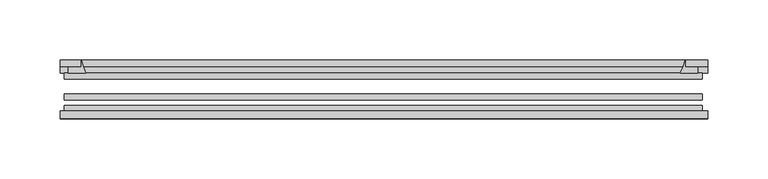
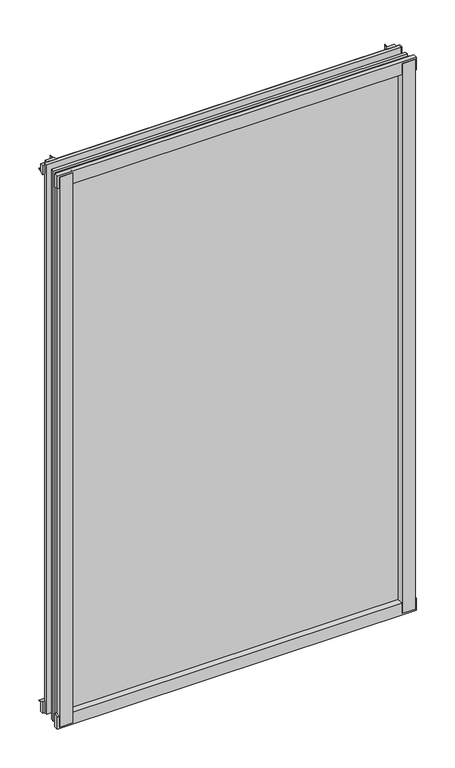
"""IFC4 building model written with IfcOpenShell, lengths in millimetres: plate geometry."""

import ifcopenshell
import ifcopenshell.guid

model = None  # the IFC model being written
_history = None  # IfcOwnerHistory: only IFC2X3 demands one
_inside = {}  # id of a spatial element -> (the spatial element, [elements in it])
_under = {}  # id of a project, library or spatial element -> (it, [spatial elements below it])
_declared = {}  # id of a project -> (the project, [libraries it declares])
_typed = {}  # id of a type object -> (the type object, [elements of that type])
_made_of = {}  # id of a material, layer set ... -> (it, [elements and type objects made of it])


def new_model(schema):
    """Start an empty IFC model of exactly this schema.

    Asked for "IFC4X3", IfcOpenShell would pick the latest addendum, in which some entities
    have other attributes; the version numbers below select the first issue.
    IFC2X3 requires an IfcOwnerHistory on every rooted entity: one is made here for all.
    """
    global model, _history
    if schema == "IFC4X3":
        model = ifcopenshell.file(schema_version=(4, 3, 0, 0))
    else:
        model = ifcopenshell.file(schema=schema)
    _inside.clear()
    _under.clear()
    _declared.clear()
    _typed.clear()
    _made_of.clear()
    _history = None
    if model.schema == "IFC2X3":
        org = make("IfcOrganization", Name="unknown")
        user = make(
            "IfcPersonAndOrganization",
            ThePerson=make("IfcPerson", FamilyName="unknown"),
            TheOrganization=org,
        )
        app = make(
            "IfcApplication",
            ApplicationDeveloper=org,
            Version="unknown",
            ApplicationFullName="unknown",
            ApplicationIdentifier="unknown",
        )
        _history = make(
            "IfcOwnerHistory",
            OwningUser=user,
            OwningApplication=app,
            ChangeAction="ADDED",
            CreationDate=0,
        )
    return model


def make(cls, **values):
    """One entity of the class cls with the attributes given. An attribute that is None is left unset."""
    return model.create_entity(
        cls, **{name: value for name, value in values.items() if value is not None}
    )


def rooted(cls, **values):
    """An entity with a GlobalId (a new one), such as an element, a storey or a relation."""
    return make(cls, GlobalId=ifcopenshell.guid.new(), OwnerHistory=_history, **values)


def si_unit(unit_type, name, prefix=None):
    """IfcSIUnit, for example si_unit("LENGTHUNIT", "METRE", prefix="MILLI")."""
    return make("IfcSIUnit", UnitType=unit_type, Prefix=prefix, Name=name)


def assignment(units):
    """IfcUnitAssignment: the units of a project."""
    return None if units is None else make("IfcUnitAssignment", Units=units)


def point(xyz):
    """IfcCartesianPoint."""
    return None if xyz is None else make("IfcCartesianPoint", Coordinates=xyz)


def direction(xyz):
    """IfcDirection."""
    return None if xyz is None else make("IfcDirection", DirectionRatios=xyz)


def frame(location, z_axis=None, x_axis=None):
    """IfcAxis2Placement3D, a coordinate frame: its origin and axes. An axis left out is left unset."""
    return make(
        "IfcAxis2Placement3D",
        Location=point(location),
        Axis=direction(z_axis),
        RefDirection=direction(x_axis),
    )


def frame_2d(location, x_axis=None):
    """IfcAxis2Placement2D, a coordinate frame in the plane: its origin and x axis."""
    return make(
        "IfcAxis2Placement2D", Location=point(location), RefDirection=direction(x_axis)
    )


def origin():
    """The frame at (0, 0, 0) with its axes left unset."""
    return frame((0.0, 0.0, 0.0))


def place(relative_to, where):
    """IfcLocalPlacement: puts the frame where relative to a parent placement (None: the world)."""
    return make(
        "IfcLocalPlacement", PlacementRelTo=relative_to, RelativePlacement=where
    )


def context(
    kind, dimensions, precision=None, world=None, true_north=None, identifier=None
):
    """IfcGeometricRepresentationContext, for example the 3D "Model" context."""
    return make(
        "IfcGeometricRepresentationContext",
        ContextIdentifier=identifier,
        ContextType=kind,
        CoordinateSpaceDimension=dimensions,
        Precision=precision,
        WorldCoordinateSystem=world,
        TrueNorth=true_north,
    )


def project(units=None, contexts=None):
    """IfcProject with its units and contexts."""
    return rooted(
        "IfcProject",
        Name="project",
        RepresentationContexts=contexts,
        UnitsInContext=assignment(units),
    )


def spatial(cls, under=None, at=None, **own):
    """A site, building, storey or space (cls), placed at a placement, below another one or the project."""
    s = rooted(cls, ObjectPlacement=at, **own)
    if under is not None:
        _under.setdefault(under.id(), (under, []))[1].append(s)
    return s


def polyline(points):
    """IfcPolyline through the points."""
    return make("IfcPolyline", Points=[point(p) for p in points])


def circle_curve(where, radius):
    """IfcCircle in the frame where."""
    return make("IfcCircle", Position=where, Radius=radius)


def trimmed(basis, trim1, trim2, sense, master):
    """IfcTrimmedCurve: the piece of a basis curve between two trims."""
    return make(
        "IfcTrimmedCurve",
        BasisCurve=basis,
        Trim1=trim1,
        Trim2=trim2,
        SenseAgreement=sense,
        MasterRepresentation=master,
    )


def segment(curve, same_sense, transition):
    """IfcCompositeCurveSegment."""
    return make(
        "IfcCompositeCurveSegment",
        Transition=transition,
        SameSense=same_sense,
        ParentCurve=curve,
    )


def composite_curve(segments, self_intersect=None):
    """IfcCompositeCurve: segments joined end to end."""
    return make("IfcCompositeCurve", Segments=segments, SelfIntersect=self_intersect)


def outline(outer, holes=None, kind="AREA"):
    """IfcArbitraryClosedProfileDef: a profile drawn as a closed curve; with holes, ...WithVoids."""
    if holes is None:
        return make("IfcArbitraryClosedProfileDef", ProfileType=kind, OuterCurve=outer)
    return make(
        "IfcArbitraryProfileDefWithVoids",
        ProfileType=kind,
        OuterCurve=outer,
        InnerCurves=holes,
    )


def extrude(swept, where, along, depth):
    """IfcExtrudedAreaSolid: the profile swept, set in the frame where, extruded along a direction by depth."""
    return make(
        "IfcExtrudedAreaSolid",
        SweptArea=swept,
        Position=where,
        ExtrudedDirection=direction(along),
        Depth=depth,
    )


def shape(context_of_items, identifier, shape_type, items):
    """IfcShapeRepresentation: the items that make up one representation, for example the "Body"."""
    return make(
        "IfcShapeRepresentation",
        ContextOfItems=context_of_items,
        RepresentationIdentifier=identifier,
        RepresentationType=shape_type,
        Items=items,
    )


def source(mapping_origin, context_of_items, identifier, shape_type, items):
    """IfcRepresentationMap: a shape defined once, which mapped items show again and again."""
    return make(
        "IfcRepresentationMap",
        MappingOrigin=mapping_origin,
        MappedRepresentation=shape(context_of_items, identifier, shape_type, items),
    )


def transform(
    local_origin,
    x_axis=None,
    y_axis=None,
    z_axis=None,
    scale=None,
    scale2=None,
    scale3=None,
    uniform=True,
):
    """IfcCartesianTransformationOperator3D, or its non-uniform kind. x_axis, y_axis, z_axis: its Axis1, 2, 3."""
    if uniform:
        return make(
            "IfcCartesianTransformationOperator3D",
            Axis1=direction(x_axis),
            Axis2=direction(y_axis),
            LocalOrigin=point(local_origin),
            Scale=scale,
            Axis3=direction(z_axis),
        )
    return make(
        "IfcCartesianTransformationOperator3DnonUniform",
        Axis1=direction(x_axis),
        Axis2=direction(y_axis),
        LocalOrigin=point(local_origin),
        Scale=scale,
        Axis3=direction(z_axis),
        Scale2=scale2,
        Scale3=scale3,
    )


def mapped(mapping_source, mapping_target):
    """IfcMappedItem: shows the shape of a source again, moved by a transform."""
    return make(
        "IfcMappedItem", MappingSource=mapping_source, MappingTarget=mapping_target
    )


def made_of(thing, what):
    """Note that an element or type object is made of a material, layer set ...; save() writes the relation."""
    if what is not None:
        _made_of.setdefault(what.id(), (what, []))[1].append(thing)
    return thing


def element(
    cls,
    number,
    at=None,
    inside=None,
    cuts=None,
    type_object=None,
    material=None,
    context=None,
    identifier="Body",
    shape_type=None,
    held_by="IfcProductDefinitionShape",
    body=None,
    shapes=None,
    **own,
):
    """One element of the class cls, such as IfcWall. Its Tag is "e" and its number.

    at: its placement. inside: the storey or other place that contains it. cuts: it is an
    opening in that element (IfcRelVoidsElement). A single representation is given by context,
    identifier, shape_type and body (its items); several are given by shapes. held_by: the class
    of the entity that holds the representations. save() writes the other relations.
    """
    e = rooted(cls, Tag="e%d" % number, ObjectPlacement=at, **own)
    if body is not None:
        shapes = [shape(context, identifier, shape_type, body)]
    if shapes is not None:
        e.Representation = make(held_by, Representations=shapes)
    if inside is not None:
        _inside.setdefault(inside.id(), (inside, []))[1].append(e)
    if cuts is not None:
        rooted(
            "IfcRelVoidsElement", RelatingBuildingElement=cuts, RelatedOpeningElement=e
        )
    if type_object is not None:
        _typed.setdefault(type_object.id(), (type_object, []))[1].append(e)
    return made_of(e, material)


def aggregate(whole, parts):
    """IfcRelAggregates: a whole, such as a stair, and the parts it consists of."""
    return rooted("IfcRelAggregates", RelatingObject=whole, RelatedObjects=parts)


def save(model, path):
    """Write the relations noted so far, then the file.

    IfcRelAggregates (storeys below a building ...), IfcRelContainedInSpatialStructure (elements
    in a storey), IfcRelDefinesByType, IfcRelAssociatesMaterial and IfcRelDeclares: one each for
    every whole, place, type object, material and project.
    """
    for whole, parts in _under.values():
        aggregate(whole, parts)
    for where, things in _inside.values():
        rooted(
            "IfcRelContainedInSpatialStructure",
            RelatedElements=things,
            RelatingStructure=where,
        )
    for kind, things in _typed.values():
        rooted("IfcRelDefinesByType", RelatedObjects=things, RelatingType=kind)
    for what, things in _made_of.values():
        rooted("IfcRelAssociatesMaterial", RelatedObjects=things, RelatingMaterial=what)
    for by, libraries in _declared.values():
        rooted("IfcRelDeclares", RelatingContext=by, RelatedDefinitions=libraries)
    model.write(path)


def plate_d08634fd(model_context):
    return source(origin(), model_context, "Body", "SweptSolid", [
        extrude(outline(composite_curve([segment(polyline([(-265.1125, -78.7828625), (-243.6912987, -78.7828625)]), True, "CONTINUOUS"), segment(trimmed(circle_curve(frame_2d((-236.0541331, -84.652782)), 9.6323545), [point((-243.6912987, -78.7828625))], [point((-245.6745165, -85.1328625))], True, "CARTESIAN"), True, "CONTINUOUS"), segment(polyline([(-245.6745165, -85.1328625), (-265.1125, -85.1328625), (-265.1125, -78.7828625)]), True, "CONTINUOUS")], self_intersect=False)), frame((0.0, 0.0, -14.2875), z_axis=(0.0, 0.0, 1.0), x_axis=(1.0, 0.0, 0.0)), (0.0, 0.0, 1.0), 869.95),
        extrude(outline(composite_curve([segment(polyline([(267.6944065, -78.7828625), (267.6944065, -85.1328625), (248.2145165, -85.1328625)]), True, "CONTINUOUS"), segment(trimmed(circle_curve(frame_2d((238.5941331, -84.652782)), 9.6323545), [point((248.2145165, -85.1328625))], [point((246.2312987, -78.7828625))], True, "CARTESIAN"), True, "CONTINUOUS"), segment(polyline([(246.2312987, -78.7828625), (267.6944065, -78.7828625)]), True, "CONTINUOUS")], self_intersect=False)), frame((0.0, 0.0, -14.2875), z_axis=(0.0, 0.0, 1.0), x_axis=(1.0, 0.0, 0.0)), (0.0, 0.0, 1.0), 869.95),
        extrude(outline(composite_curve([segment(polyline([(-47.1852625, -14.2875), (-47.1852625, 3.9588469)]), True, "CONTINUOUS"), segment(trimmed(circle_curve(frame_2d((-30.6824422, 32.267054)), 32.7673262), [point((-47.1852625, 3.9588469))], [point((-36.3503395, -0.00635))], True, "CARTESIAN"), True, "CONTINUOUS"), segment(polyline([(-36.3503395, -0.00635), (-42.2830625, -0.00635), (-42.2830625, -14.2875), (-47.1852625, -14.2875)]), True, "CONTINUOUS")], self_intersect=False)), frame((-268.2875, 0.0, 0.0), z_axis=(1.0, 0.0, 0.0), x_axis=(0.0, 1.0, 0.0)), (0.0, 0.0, 1.0), 537.9640625),
        extrude(outline(composite_curve([segment(polyline([(-78.7828625, -16.8821065), (-85.1328625, -16.8821065), (-85.1328625, 2.5977835)]), True, "CONTINUOUS"), segment(trimmed(circle_curve(frame_2d((-84.652782, 12.2181669)), 9.6323545), [point((-85.1328625, 2.5977835))], [point((-78.7828625, 4.5810013))], True, "CARTESIAN"), True, "CONTINUOUS"), segment(polyline([(-78.7828625, 4.5810013), (-78.7828625, -16.8821065)]), True, "CONTINUOUS")], self_intersect=False)), frame((-268.2875, 0.0, 0.0), z_axis=(1.0, 0.0, 0.0), x_axis=(0.0, 1.0, 0.0)), (0.0, 0.0, 1.0), 537.9640625),
        extrude(outline(composite_curve([segment(polyline([(-47.1852625, 837.4034531), (-47.1852625, 852.0752564), (-42.2830625, 852.0752564), (-42.2830625, 841.375), (-36.3140625, 841.375)]), True, "CONTINUOUS"), segment(trimmed(circle_curve(frame_2d((-30.6824422, 809.095246)), 32.7673262), [point((-36.3140625, 841.375))], [point((-47.1852625, 837.4034531))], True, "CARTESIAN"), True, "CONTINUOUS")], self_intersect=False)), frame((-268.2875, 0.0, 0.0), z_axis=(1.0, 0.0, 0.0), x_axis=(0.0, 1.0, 0.0)), (0.0, 0.0, 1.0), 537.9640625),
        extrude(outline(composite_curve([segment(polyline([(-78.7828625, 858.2444065), (-78.7828625, 836.7812987)]), True, "CONTINUOUS"), segment(trimmed(circle_curve(frame_2d((-84.652782, 829.1441331)), 9.6323545), [point((-78.7828625, 836.7812987))], [point((-85.1328625, 838.7645165))], True, "CARTESIAN"), True, "CONTINUOUS"), segment(polyline([(-85.1328625, 838.7645165), (-85.1328625, 858.2444065), (-78.7828625, 858.2444065)]), True, "CONTINUOUS")], self_intersect=False)), frame((-268.2875, 0.0, 0.0), z_axis=(1.0, 0.0, 0.0), x_axis=(0.0, 1.0, 0.0)), (0.0, 0.0, 1.0), 537.9640625),
        extrude(outline(composite_curve([segment(trimmed(circle_curve(frame_2d((218.545246, -30.6824422)), 32.7673262), [point((246.8534531, -47.1852625))], [point((250.825, -36.3140625))], True, "CARTESIAN"), True, "CONTINUOUS"), segment(polyline([(250.825, -36.3140625), (250.825, -42.2830625), (261.5253653, -42.2830625), (261.5253653, -47.1852625), (246.8534531, -47.1852625)]), True, "CONTINUOUS")], self_intersect=False)), frame((0.0, 0.0, -14.2875), z_axis=(0.0, 0.0, 1.0), x_axis=(1.0, 0.0, 0.0)), (0.0, 0.0, 1.0), 869.95),
        extrude(outline(composite_curve([segment(polyline([(-246.8534531, -47.1852625), (-261.5202092, -47.1852625), (-261.5202092, -42.2830625), (-250.825, -42.2830625), (-250.825, -36.3140625)]), True, "CONTINUOUS"), segment(trimmed(circle_curve(frame_2d((-218.545246, -30.6824422)), 32.7673262), [point((-250.825, -36.3140625))], [point((-246.8534531, -47.1852625))], True, "CARTESIAN"), True, "CONTINUOUS")], self_intersect=False)), frame((0.0, 0.0, -14.2875), z_axis=(0.0, 0.0, 1.0), x_axis=(1.0, 0.0, 0.0)), (0.0, 0.0, 1.0), 869.95),
        extrude(outline(polyline([(265.1125, -64.6604625), (265.1125, -69.4356625), (-265.1125, -69.4356625), (-265.1125, -64.6604625), (265.1125, -64.6604625)])), frame((0.0, 0.0, -14.2875), z_axis=(0.0, 0.0, 1.0), x_axis=(1.0, 0.0, 0.0)), (0.0, 0.0, 1.0), 869.95),
        extrude(outline(polyline([(-265.1125, -78.7828625), (-265.1125, -74.0076625), (265.1125, -74.0076625), (265.1125, -78.7828625), (-265.1125, -78.7828625)])), frame((0.0, 0.0, -14.2875), z_axis=(0.0, 0.0, 1.0), x_axis=(1.0, 0.0, 0.0)), (0.0, 0.0, 1.0), 869.95),
        extrude(outline(polyline([(-265.1125, -47.1852625), (265.1125, -47.1852625), (265.1125, -51.9604625), (-265.1125, -51.9604625), (-265.1125, -47.1852625)])), frame((0.0, 0.0, -14.2875), z_axis=(0.0, 0.0, 1.0), x_axis=(1.0, 0.0, 0.0)), (0.0, 0.0, 1.0), 869.95),
    ])


if __name__ == "__main__":
    model = new_model("IFC4")
    model_context = context("Model", 3, world=origin())
    ifc_project = project(units=[si_unit("LENGTHUNIT", "METRE", prefix="MILLI")], contexts=[model_context])
    site = spatial("IfcSite", under=ifc_project)
    building = spatial("IfcBuilding", under=site)
    placement = place(None, origin())
    plate_shape = plate_d08634fd(model_context)
    element("IfcPlate", 1, at=placement, inside=building, context=model_context, shape_type="MappedRepresentation", body=[
        mapped(plate_shape, transform((0.0, 0.0, 0.0), x_axis=(1.0, 0.0, 0.0), y_axis=(0.0, 1.0, 0.0), z_axis=(0.0, 0.0, 1.0))),
    ])
    save(model, "model.ifc")
